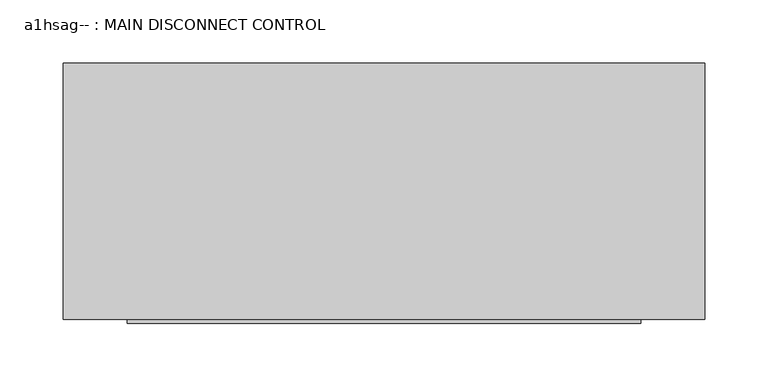
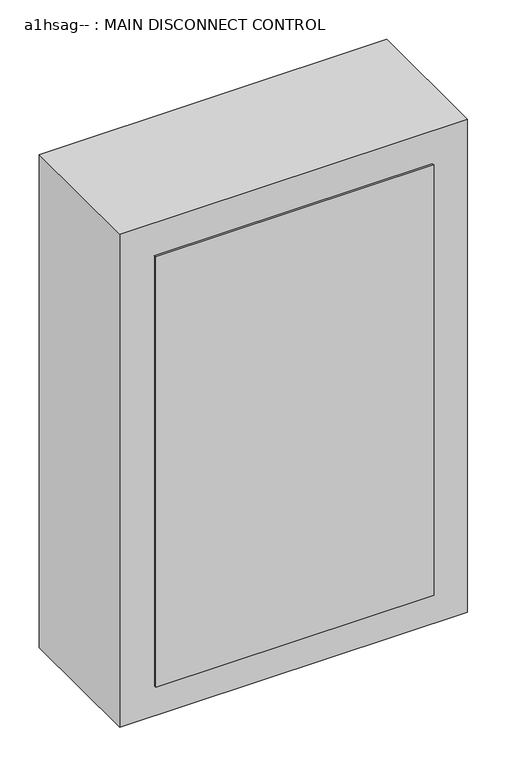
"""IFC4 building model written with IfcOpenShell, lengths in millimetres: proxy geometry, a1hsag-- : MAIN DISCONNECT CONTROL."""

from ifc_helpers import new_model, si_unit, frame, origin, place, context, project, spatial, polyline, outline, extrude, source, transform, mapped, element, save


def a1hsag_main_disconnect_control_3931a5a6(model_context):
    return source(origin(), model_context, "Body", "SweptSolid", [
        extrude(outline(polyline([(203.2, -104.775), (-203.2, -104.775), (-203.2, -101.6), (203.2, -101.6), (203.2, -104.775)])), frame((0.0, 0.0, 1189.2112862), z_axis=(0.0, 0.0, 1.0), x_axis=(1.0, 0.0, 0.0)), (0.0, 0.0, 1.0), 664.9887138),
        extrude(outline(polyline([(254.0, 101.6), (254.0, -101.6), (-254.0, -101.6), (-254.0, 101.6), (254.0, 101.6)])), frame((0.0, 0.0, 1143.0), z_axis=(0.0, 0.0, 1.0), x_axis=(1.0, 0.0, 0.0)), (0.0, 0.0, 1.0), 762.0),
    ])


if __name__ == "__main__":
    model = new_model("IFC4")
    model_context = context("Model", 3, world=origin())
    ifc_project = project(units=[si_unit("LENGTHUNIT", "METRE", prefix="MILLI")], contexts=[model_context])
    site = spatial("IfcSite", under=ifc_project)
    building = spatial("IfcBuilding", under=site)
    placement = place(None, origin())
    a1hsag_main_disconnect_control_shape = a1hsag_main_disconnect_control_3931a5a6(model_context)
    element("IfcBuildingElementProxy", 1, Name="a1hsag-- : MAIN DISCONNECT CONTROL", ObjectType="a1hsag-- : MAIN DISCONNECT CONTROL", at=placement, inside=building, context=model_context, shape_type="MappedRepresentation", body=[
        mapped(a1hsag_main_disconnect_control_shape, transform((0.0, 0.0, 0.0), x_axis=(1.0, 0.0, 0.0), y_axis=(0.0, 1.0, 0.0), z_axis=(0.0, 0.0, 1.0))),
    ])
    save(model, "model.ifc")
